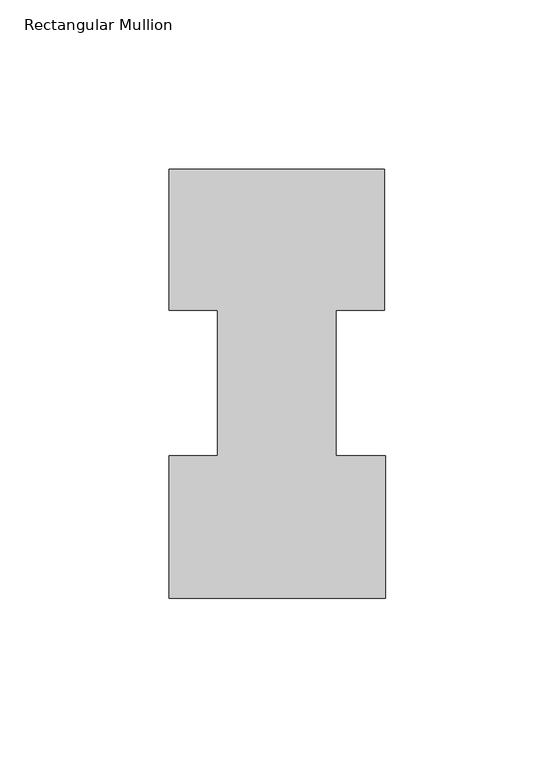
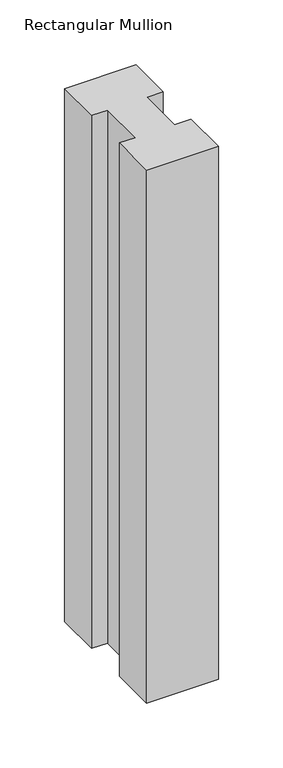
"""IFC4 building model written with IfcOpenShell, lengths in millimetres: member geometry, Rectangular Mullion."""

from ifc_helpers import new_model, si_unit, frame, origin, place, context, project, spatial, polyline, outline, extrude, source, transform, mapped, element, save


def rectangular_mullion_15f8bde6(model_context):
    return source(origin(), model_context, "Body", "SweptSolid", [
        extrude(outline(polyline([(-63.5, 0.2428875), (-63.5, 42.2798875), (-49.21504, 42.2798875), (-49.21504, 85.1296875), (-63.5, 85.1296875), (-63.5, 126.7348875), (0.0, 126.7348875), (0.0, 85.1296875), (-14.2748, 85.1296875), (-14.2748, 42.2798875), (0.2408142, 42.2798875), (0.2408142, 0.2428875), (-63.5, 0.2428875)])), frame((0.0, 0.0, -501.6516277), z_axis=(0.0, 0.0, 1.0), x_axis=(1.0, 0.0, 0.0)), (0.0, 0.0, 1.0), 501.6516277),
    ])


if __name__ == "__main__":
    model = new_model("IFC4")
    model_context = context("Model", 3, world=origin())
    ifc_project = project(units=[si_unit("LENGTHUNIT", "METRE", prefix="MILLI")], contexts=[model_context])
    site = spatial("IfcSite", under=ifc_project)
    building = spatial("IfcBuilding", under=site)
    placement = place(None, origin())
    rectangular_mullion_shape = rectangular_mullion_15f8bde6(model_context)
    element("IfcMember", 1, ObjectType="Rectangular Mullion", at=placement, inside=building, context=model_context, shape_type="MappedRepresentation", body=[
        mapped(rectangular_mullion_shape, transform((0.0, 0.0, 0.0), x_axis=(1.0, 0.0, 0.0), y_axis=(0.0, 1.0, 0.0), z_axis=(0.0, 0.0, 1.0))),
    ])
    save(model, "model.ifc")
